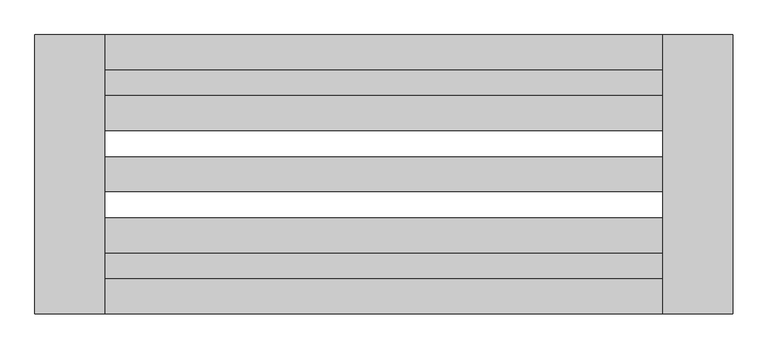
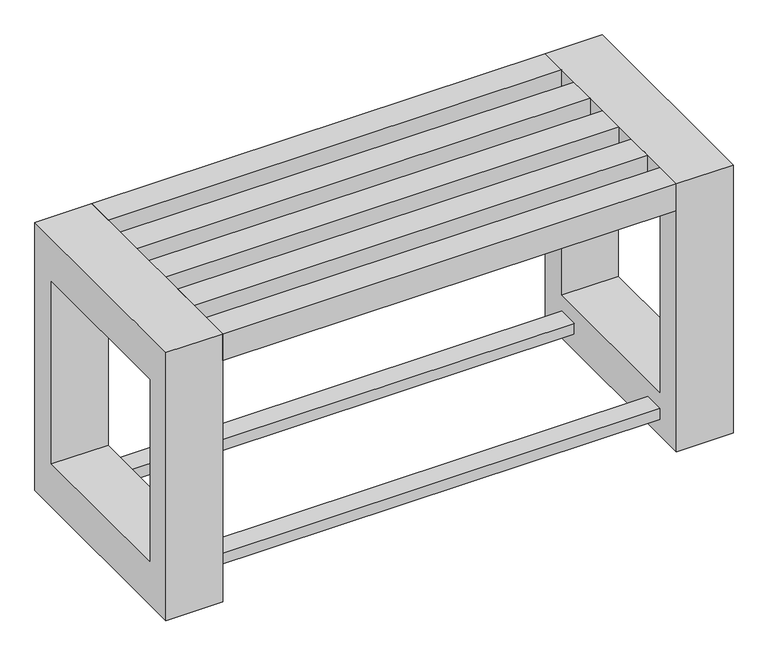
"""IFC4 building model written with IfcOpenShell, lengths in millimetres: furniture geometry."""

from ifc_helpers import new_model, si_unit, frame, origin, place, context, project, spatial, polyline, outline, extrude, source, transform, mapped, element, save


def furniture_bc20ae3a(model_context):
    return source(origin(), model_context, "Body", "SweptSolid", [
        extrude(outline(polyline([(-639.95672, 1136.5928463), (-1439.95672, 1136.5928463), (-1439.95672, 1174.0928463), (-639.95672, 1174.0928463), (-639.95672, 1136.5928463)])), frame((0.0, 0.0, 30.0), z_axis=(0.0, 0.0, 1.0), x_axis=(1.0, 0.0, 0.0)), (0.0, 0.0, 1.0), 20.0),
        extrude(outline(polyline([(-639.95672, 874.0928463), (-1439.95672, 874.0928463), (-1439.95672, 911.5928463), (-639.95672, 911.5928463), (-639.95672, 874.0928463)])), frame((0.0, 0.0, 30.0), z_axis=(0.0, 0.0, 1.0), x_axis=(1.0, 0.0, 0.0)), (0.0, 0.0, 1.0), 20.0),
        extrude(outline(polyline([(824.0928463, 500.0), (1224.0928463, 500.0), (1224.0928463, 0.0), (824.0928463, 0.0), (824.0928463, 500.0)]), holes=[polyline([(874.0928463, 420.0), (874.0928463, 80.0), (1174.0928463, 80.0), (1174.0928463, 420.0), (874.0928463, 420.0)])]), frame((-1539.95672, 0.0, 0.0), z_axis=(1.0, 0.0, 0.0), x_axis=(0.0, 1.0, 0.0)), (0.0, 0.0, 1.0), 100.0),
        extrude(outline(polyline([(824.0928463, 500.0), (1224.0928463, 500.0), (1224.0928463, 0.0), (824.0928463, 0.0), (824.0928463, 500.0)]), holes=[polyline([(1174.0928463, 420.0), (874.0928463, 420.0), (874.0928463, 80.0), (1174.0928463, 80.0), (1174.0928463, 420.0)])]), frame((-639.95672, 0.0, 0.0), z_axis=(1.0, 0.0, 0.0), x_axis=(0.0, 1.0, 0.0)), (0.0, 0.0, 1.0), 100.0),
        extrude(outline(polyline([(-1439.95672, 824.0928463), (-1439.95672, 874.0928463), (-639.95672, 874.0928463), (-639.95672, 824.0928463), (-1439.95672, 824.0928463)])), frame((0.0, 0.0, 450.0), z_axis=(0.0, 0.0, 1.0), x_axis=(1.0, 0.0, 0.0)), (0.0, 0.0, 1.0), 50.0),
        extrude(outline(polyline([(-1439.95672, 911.5928463), (-1439.95672, 961.5928463), (-639.95672, 961.5928463), (-639.95672, 911.5928463), (-1439.95672, 911.5928463)])), frame((0.0, 0.0, 450.0), z_axis=(0.0, 0.0, 1.0), x_axis=(1.0, 0.0, 0.0)), (0.0, 0.0, 1.0), 50.0),
        extrude(outline(polyline([(-1439.95672, 999.0928463), (-1439.95672, 1049.0928463), (-639.95672, 1049.0928463), (-639.95672, 999.0928463), (-1439.95672, 999.0928463)])), frame((0.0, 0.0, 450.0), z_axis=(0.0, 0.0, 1.0), x_axis=(1.0, 0.0, 0.0)), (0.0, 0.0, 1.0), 50.0),
        extrude(outline(polyline([(-639.95672, 1136.5928463), (-639.95672, 1086.5928463), (-1439.95672, 1086.5928463), (-1439.95672, 1136.5928463), (-639.95672, 1136.5928463)])), frame((0.0, 0.0, 450.0), z_axis=(0.0, 0.0, 1.0), x_axis=(1.0, 0.0, 0.0)), (0.0, 0.0, 1.0), 50.0),
        extrude(outline(polyline([(-1439.95672, 1174.0928463), (-1439.95672, 1224.0928463), (-639.95672, 1224.0928463), (-639.95672, 1174.0928463), (-1439.95672, 1174.0928463)])), frame((0.0, 0.0, 450.0), z_axis=(0.0, 0.0, 1.0), x_axis=(1.0, 0.0, 0.0)), (0.0, 0.0, 1.0), 50.0),
    ])


if __name__ == "__main__":
    model = new_model("IFC4")
    model_context = context("Model", 3, world=origin())
    ifc_project = project(units=[si_unit("LENGTHUNIT", "METRE", prefix="MILLI")], contexts=[model_context])
    site = spatial("IfcSite", under=ifc_project)
    building = spatial("IfcBuilding", under=site)
    placement = place(None, origin())
    furniture_shape = furniture_bc20ae3a(model_context)
    element("IfcFurniture", 1, at=placement, inside=building, context=model_context, shape_type="MappedRepresentation", body=[
        mapped(furniture_shape, transform((0.0, 0.0, 0.0), x_axis=(1.0, 0.0, 0.0), y_axis=(0.0, 1.0, 0.0), z_axis=(0.0, 0.0, 1.0))),
    ])
    save(model, "model.ifc")
